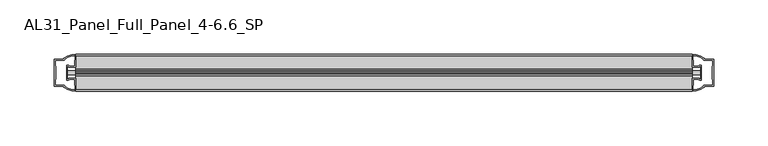
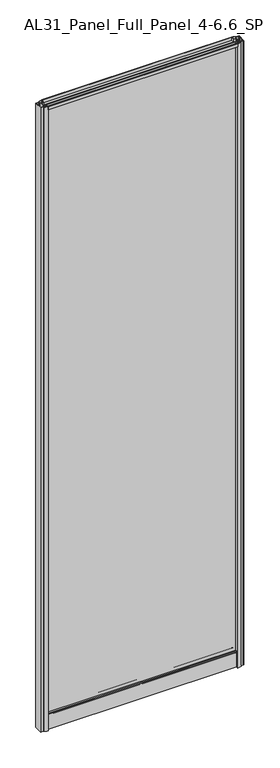
"""IFC4 building model written with IfcOpenShell, lengths in millimetres: plate geometry, AL31_Panel_Full_Panel_4-6.6_SP."""

from ifc_helpers import new_model, si_unit, point, frame, frame_2d, origin, origin_with_axes, place, context, project, spatial, polyline, circle_curve, trimmed, segment, composite_curve, outline, extrude, source, transform, mapped, element, save


def al31_panel_full_panel_4_6_6_sp_7164371c(model_context):
    return source(origin(), model_context, "Body", "SweptSolid", [
        extrude(outline(composite_curve([segment(polyline([(-1.4, 1968.8980762), (-0.85, 1967.9454483)]), True, "CONTINUOUS"), segment(trimmed(circle_curve(frame_2d((0.1, 1966.3)), 1.9), [point((-0.85, 1967.9454483))], [point((1.05, 1967.9454483))], True, "CARTESIAN"), True, "CONTINUOUS"), segment(polyline([(1.05, 1967.9454483), (1.6, 1968.8980762)]), True, "CONTINUOUS"), segment(trimmed(circle_curve(frame_2d((0.1, 1966.3)), 3.0), [point((1.6, 1968.8980762))], [point((2.5718414, 1964.6))], False, "CARTESIAN"), True, "CONTINUOUS"), segment(polyline([(2.5718414, 1964.6), (15.7, 1964.6), (15.7, 1974.0), (17.0, 1974.0), (17.0, 1963.5), (6.7024688, 1963.5), (6.7024688, 1962.7), (6.1968782, 1960.7785039), (6.1968782, 1956.1), (5.0, 1956.1), (5.0, 1961.4339746), (5.5, 1962.3), (5.5, 1963.5), (-5.5, 1963.5), (-5.5, 1962.3), (-5.0, 1961.4339746), (-5.0, 1956.1), (-6.1968782, 1956.1), (-6.1968782, 1960.7785039), (-6.7024688, 1962.7), (-6.7024688, 1963.5), (-17.0, 1963.5), (-17.0, 1974.0), (-15.7, 1974.0), (-15.7, 1964.6), (-2.3718414, 1964.6)]), True, "CONTINUOUS"), segment(trimmed(circle_curve(frame_2d((0.1, 1966.3)), 3.0), [point((-2.3718414, 1964.6))], [point((-1.4, 1968.8980762))], False, "CARTESIAN"), True, "CONTINUOUS")], self_intersect=False)), frame((-283.8301316, 0.0, 0.0), z_axis=(1.0, 0.0, 0.0), x_axis=(0.0, 1.0, 0.0)), (0.0, 0.0, 1.0), 567.6602632),
        extrude(outline(composite_curve([segment(polyline([(-291.671553, -5.9), (-290.471553, -5.9), (-290.471553, -5.0), (-283.8301316, -5.0), (-283.8301316, -17.0001453)]), True, "CONTINUOUS"), segment(trimmed(circle_curve(frame_2d((-283.46548, 2.9965302)), 20.0), [point((-283.8301316, -17.0001453))], [point((-295.1859668, -13.2093388))], False, "CARTESIAN"), True, "CONTINUOUS"), segment(polyline([(-295.1859668, -13.2093388), (-295.1859668, -12.3279343), (-303.8301316, -12.3279343), (-303.8301316, 12.3720657), (-295.1859668, 12.3720657), (-295.1859668, 13.2095249)]), True, "CONTINUOUS"), segment(trimmed(circle_curve(frame_2d((-283.46548, -2.9963441)), 20.0), [point((-295.1859668, 13.2095249))], [point((-283.8301316, 17.0003314))], False, "CARTESIAN"), True, "CONTINUOUS"), segment(polyline([(-283.8301316, 17.0003314), (-283.8301316, 5.0), (-290.471553, 5.0), (-290.471553, 5.9), (-291.671553, 5.9), (-291.671553, -5.9)]), True, "CONTINUOUS")], self_intersect=False), holes=[composite_curve([segment(trimmed(circle_curve(frame_2d((-290.671553, 5.7)), 1.5), [point((-290.671553, 7.2))], [point((-289.3162987, 6.3428731))], False, "CARTESIAN"), True, "CONTINUOUS"), segment(polyline([(-289.3162987, 6.3428731), (-285.571553, 6.3428731), (-285.571553, 10.939223), (-285.1322131, 11.9998832), (-285.1322131, 15.6499817)]), True, "CONTINUOUS"), segment(trimmed(circle_curve(frame_2d((-283.46548, -2.9755921)), 18.7), [point((-285.1322131, 15.6499817))], [point((-293.4722578, 12.8216987))], True, "CARTESIAN"), True, "CONTINUOUS"), segment(trimmed(circle_curve(frame_2d((-295.271553, 12.8720657)), 1.8), [point((-293.4722578, 12.8216987))], [point((-295.271553, 11.0720657))], False, "CARTESIAN"), True, "CONTINUOUS"), segment(polyline([(-295.271553, 11.0720657), (-302.4129743, 11.0720657), (-302.4129743, 6.5019606), (-301.971553, 5.439223), (-301.971553, -5.3950916), (-302.471553, -6.3879987), (-302.471553, -11.0279343), (-295.271553, -11.0279343)]), True, "CONTINUOUS"), segment(trimmed(circle_curve(frame_2d((-295.271553, -12.8279343)), 1.8), [point((-295.271553, -11.0279343))], [point((-293.4722578, -12.7775673))], False, "CARTESIAN"), True, "CONTINUOUS"), segment(trimmed(circle_curve(frame_2d((-283.46548, 3.0197235)), 18.7), [point((-293.4722578, -12.7775673))], [point((-285.1322131, -15.6058503))], True, "CARTESIAN"), True, "CONTINUOUS"), segment(polyline([(-285.1322131, -15.6058503), (-285.1322131, -11.9557518), (-285.571553, -10.8950916), (-285.571553, -6.2991308), (-289.2964012, -6.2991308)]), True, "CONTINUOUS"), segment(trimmed(circle_curve(frame_2d((-290.671553, -5.7)), 1.5), [point((-289.2964012, -6.2991308))], [point((-290.671553, -7.2))], False, "CARTESIAN"), True, "CONTINUOUS"), segment(polyline([(-290.671553, -7.2), (-292.971553, -7.2), (-292.971553, 7.2), (-290.671553, 7.2)]), True, "CONTINUOUS")], self_intersect=False)]), origin_with_axes(), (0.0, 0.0, 1.0), 1974.0),
        extrude(outline(composite_curve([segment(polyline([(291.671553, 5.9), (290.471553, 5.9), (290.471553, 5.0), (283.8301316, 5.0), (283.8301316, 17.0001453)]), True, "CONTINUOUS"), segment(trimmed(circle_curve(frame_2d((283.46548, -2.9965302)), 20.0), [point((283.8301316, 17.0001453))], [point((295.1859668, 13.2093388))], False, "CARTESIAN"), True, "CONTINUOUS"), segment(polyline([(295.1859668, 13.2093388), (295.1859668, 12.3279343), (303.8301316, 12.3279343), (303.8301316, -12.3720657), (295.1859668, -12.3720657), (295.1859668, -13.2095249)]), True, "CONTINUOUS"), segment(trimmed(circle_curve(frame_2d((283.46548, 2.9963441)), 20.0), [point((295.1859668, -13.2095249))], [point((283.8301316, -17.0003314))], False, "CARTESIAN"), True, "CONTINUOUS"), segment(polyline([(283.8301316, -17.0003314), (283.8301316, -5.0), (290.471553, -5.0), (290.471553, -5.9), (291.671553, -5.9), (291.671553, 5.9)]), True, "CONTINUOUS")], self_intersect=False), holes=[composite_curve([segment(trimmed(circle_curve(frame_2d((290.671553, -5.7)), 1.5), [point((290.671553, -7.2))], [point((289.3162987, -6.3428731))], False, "CARTESIAN"), True, "CONTINUOUS"), segment(polyline([(289.3162987, -6.3428731), (285.571553, -6.3428731), (285.571553, -10.939223), (285.1322131, -11.9998832), (285.1322131, -15.6499817)]), True, "CONTINUOUS"), segment(trimmed(circle_curve(frame_2d((283.46548, 2.9755921)), 18.7), [point((285.1322131, -15.6499817))], [point((293.4722578, -12.8216987))], True, "CARTESIAN"), True, "CONTINUOUS"), segment(trimmed(circle_curve(frame_2d((295.271553, -12.8720657)), 1.8), [point((293.4722578, -12.8216987))], [point((295.271553, -11.0720657))], False, "CARTESIAN"), True, "CONTINUOUS"), segment(polyline([(295.271553, -11.0720657), (302.4129743, -11.0720657), (302.4129743, -6.5019606), (301.971553, -5.439223), (301.971553, 5.3950916), (302.471553, 6.3879987), (302.471553, 11.0279343), (295.271553, 11.0279343)]), True, "CONTINUOUS"), segment(trimmed(circle_curve(frame_2d((295.271553, 12.8279343)), 1.8), [point((295.271553, 11.0279343))], [point((293.4722578, 12.7775673))], False, "CARTESIAN"), True, "CONTINUOUS"), segment(trimmed(circle_curve(frame_2d((283.46548, -3.0197235)), 18.7), [point((293.4722578, 12.7775673))], [point((285.1322131, 15.6058503))], True, "CARTESIAN"), True, "CONTINUOUS"), segment(polyline([(285.1322131, 15.6058503), (285.1322131, 11.9557518), (285.571553, 10.8950916), (285.571553, 6.2991308), (289.2964012, 6.2991308)]), True, "CONTINUOUS"), segment(trimmed(circle_curve(frame_2d((290.671553, 5.7)), 1.5), [point((289.2964012, 6.2991308))], [point((290.671553, 7.2))], False, "CARTESIAN"), True, "CONTINUOUS"), segment(polyline([(290.671553, 7.2), (292.971553, 7.2), (292.971553, -7.2), (290.671553, -7.2)]), True, "CONTINUOUS")], self_intersect=False)]), origin_with_axes(), (0.0, 0.0, 1.0), 1974.0),
        extrude(outline(composite_curve([segment(trimmed(circle_curve(frame_2d((-8.4, 34.8)), 1.0), [point((-8.4, 35.8))], [point((-9.4, 34.8))], True, "CARTESIAN"), True, "CONTINUOUS"), segment(polyline([(-9.4, 34.8), (-9.4, 33.5), (-5.0000303, 33.5), (-5.0000303, 32.3), (-9.4, 32.3), (-9.4, 0.0), (-10.6, 0.0), (-10.6, 47.3)]), True, "CONTINUOUS"), segment(trimmed(circle_curve(frame_2d((-8.6, 47.3)), 2.0), [point((-10.6, 47.3))], [point((-8.6, 49.3))], False, "CARTESIAN"), True, "CONTINUOUS"), segment(polyline([(-8.6, 49.3), (-5.0, 49.3), (-5.0, 41.9), (5.0, 41.9), (5.0, 49.3), (8.6, 49.3)]), True, "CONTINUOUS"), segment(trimmed(circle_curve(frame_2d((8.6, 47.3)), 2.0), [point((8.6, 49.3))], [point((10.6, 47.3))], False, "CARTESIAN"), True, "CONTINUOUS"), segment(polyline([(10.6, 47.3), (10.6, 0.0), (9.4, 0.0), (9.4, 32.3), (4.9999697, 32.3), (4.9999697, 33.5), (9.4, 33.5), (9.4, 34.8)]), True, "CONTINUOUS"), segment(trimmed(circle_curve(frame_2d((8.4, 34.8)), 1.0), [point((9.4, 34.8))], [point((8.4, 35.8))], True, "CARTESIAN"), True, "CONTINUOUS"), segment(polyline([(8.4, 35.8), (-8.4, 35.8)]), True, "CONTINUOUS")], self_intersect=False), holes=[composite_curve([segment(trimmed(circle_curve(frame_2d((5.5024688, 41.8)), 1.0), [point((6.5024688, 41.8))], [point((5.5024688, 40.8))], False, "CARTESIAN"), True, "CONTINUOUS"), segment(polyline([(5.5024688, 40.8), (2.8008965, 40.8), (2.8008965, 39.7274194), (1.8370508, 39.7274194)]), True, "CONTINUOUS"), segment(trimmed(circle_curve(frame_2d((0.0, 38.7)), 2.1048387), [point((1.8370508, 39.7274194))], [point((-1.8370508, 39.7274194))], True, "CARTESIAN"), True, "CONTINUOUS"), segment(polyline([(-1.8370508, 39.7274194), (-2.8008965, 39.7274194), (-2.8008965, 40.8), (-5.5024688, 40.8)]), True, "CONTINUOUS"), segment(trimmed(circle_curve(frame_2d((-5.5024688, 41.8)), 1.0), [point((-5.5024688, 40.8))], [point((-6.5024688, 41.8))], False, "CARTESIAN"), True, "CONTINUOUS"), segment(polyline([(-6.5024688, 41.8), (-6.5024688, 42.7)]), True, "CONTINUOUS"), segment(trimmed(circle_curve(frame_2d((-5.3024688, 42.7)), 1.2), [point((-6.5024688, 42.7))], [point((-6.1198184, 43.5786009))], False, "CARTESIAN"), True, "CONTINUOUS"), segment(polyline([(-6.1198184, 43.5786009), (-6.1198184, 48.2), (-8.4, 48.2)]), True, "CONTINUOUS"), segment(trimmed(circle_curve(frame_2d((-8.4, 47.2)), 1.0), [point((-8.4, 48.2))], [point((-9.4, 47.2))], True, "CARTESIAN"), True, "CONTINUOUS"), segment(polyline([(-9.4, 47.2), (-9.4, 37.04), (-2.8008965, 37.04), (-2.8008965, 38.0725806), (-1.8370508, 38.0725806)]), True, "CONTINUOUS"), segment(trimmed(circle_curve(frame_2d((0.0, 39.1)), 2.1048387), [point((-1.8370508, 38.0725806))], [point((1.8370508, 38.0725806))], True, "CARTESIAN"), True, "CONTINUOUS"), segment(polyline([(1.8370508, 38.0725806), (2.8008965, 38.0725806), (2.8008965, 37.04), (9.4, 37.04), (9.4, 47.2)]), True, "CONTINUOUS"), segment(trimmed(circle_curve(frame_2d((8.4, 47.2)), 1.0), [point((9.4, 47.2))], [point((8.4, 48.2))], True, "CARTESIAN"), True, "CONTINUOUS"), segment(polyline([(8.4, 48.2), (6.1198184, 48.2), (6.1198184, 43.7786009)]), True, "CONTINUOUS"), segment(trimmed(circle_curve(frame_2d((5.3024688, 42.9)), 1.2), [point((6.1198184, 43.7786009))], [point((6.5024688, 42.9))], False, "CARTESIAN"), True, "CONTINUOUS"), segment(polyline([(6.5024688, 42.9), (6.5024688, 41.8)]), True, "CONTINUOUS")], self_intersect=False)]), frame((-283.8301316, 0.0, 0.0), z_axis=(1.0, 0.0, 0.0), x_axis=(0.0, 1.0, 0.0)), (0.0, 0.0, 1.0), 567.6602632),
        extrude(outline(polyline([(291.671553, 2.0), (291.671553, -2.0), (-291.671553, -2.0), (-291.671553, 2.0), (291.671553, 2.0)])), frame((0.0, 0.0, 41.9), z_axis=(0.0, 0.0, 1.0), x_axis=(1.0, 0.0, 0.0)), (0.0, 0.0, 1.0), 1921.6),
    ])


if __name__ == "__main__":
    model = new_model("IFC4")
    model_context = context("Model", 3, world=origin())
    ifc_project = project(units=[si_unit("LENGTHUNIT", "METRE", prefix="MILLI")], contexts=[model_context])
    site = spatial("IfcSite", under=ifc_project)
    building = spatial("IfcBuilding", under=site)
    placement = place(None, origin())
    al31_panel_full_panel_4_6_6_sp_shape = al31_panel_full_panel_4_6_6_sp_7164371c(model_context)
    element("IfcPlate", 1, ObjectType="AL31_Panel_Full_Panel_4-6.6_SP", at=placement, inside=building, context=model_context, shape_type="MappedRepresentation", body=[
        mapped(al31_panel_full_panel_4_6_6_sp_shape, transform((0.0, 0.0, 0.0), x_axis=(1.0, 0.0, 0.0), y_axis=(0.0, 1.0, 0.0), z_axis=(0.0, 0.0, 1.0))),
    ])
    save(model, "model.ifc")
